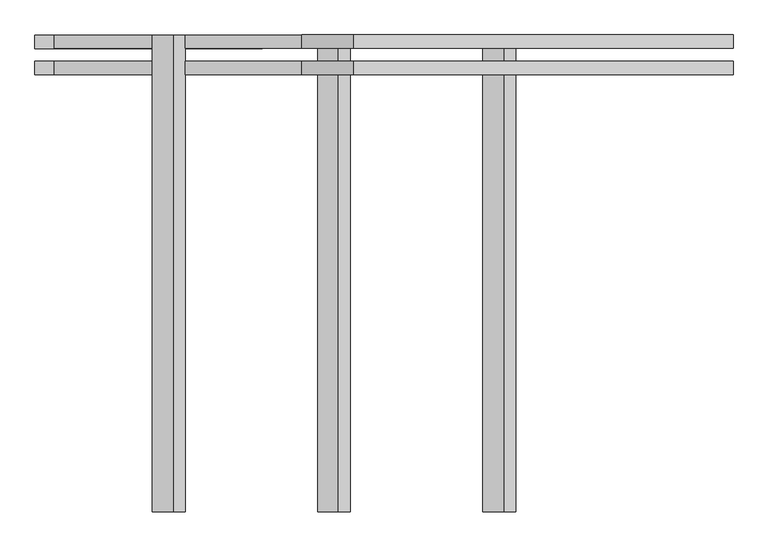
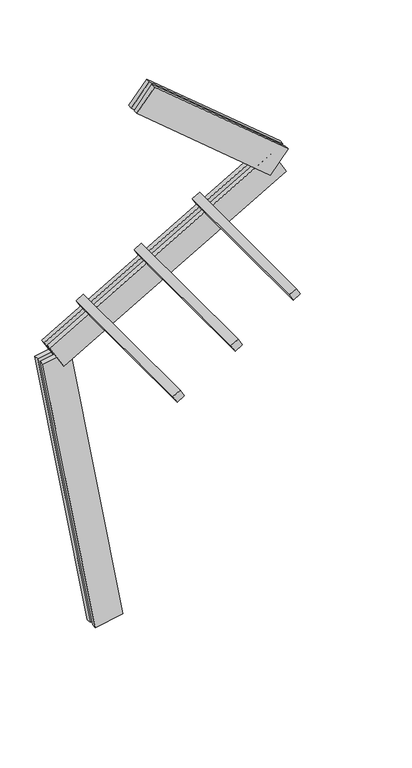
"""IFC4 building model written with IfcOpenShell, lengths in millimetres: proxy geometry."""

from ifc_helpers import new_model, si_unit, frame, origin, place, context, project, spatial, polyline, outline, extrude, source, transform, mapped, element, save


def generic_models_ab3bf757(model_context):
    return source(origin(), model_context, "Body", "SweptSolid", [
        extrude(outline(polyline([(1500.0, 0.0), (1500.0, -75.0), (0.0, -75.0), (0.0, 0.0), (1500.0, 0.0)])), frame((-119.9880129, 62.5, 3004.7341086), z_axis=(-0.4999999999999995, 0.0, 0.866025403784439), x_axis=(0.0, -1.0, 0.0)), (0.0, 0.0, 1.0), 75.0),
        extrude(outline(polyline([(1500.0, 0.0), (1500.0, -75.0), (0.0, -75.0), (0.0, 0.0), (1500.0, 0.0)])), frame((399.6272294, 62.5, 3304.7341086), z_axis=(-0.4999999999999995, 0.0, 0.866025403784439), x_axis=(0.0, -1.0, 0.0)), (0.0, 0.0, 1.0), 75.0),
        extrude(outline(polyline([(1500.0, 0.0), (1500.0, -74.9999999), (0.0, -74.9999999), (0.0, 0.0), (1500.0, 0.0)])), frame((919.2424716, 62.5, 3604.7341086), z_axis=(-0.4999999999999995, 0.0, 0.866025403784439), x_axis=(0.0, -1.0, 0.0)), (0.0, 0.0, 1.0), 75.0),
        extrude(outline(polyline([(1560.0000001, -125.0), (0.0, -125.0), (0.0, -82.5), (1560.0000001, -82.5), (1560.0000001, -125.0)])), frame((1442.6598978, -62.5, 3713.2253777), z_axis=(0.6427876096865414, 0.0, 0.7660444431189765), x_axis=(-0.7660444431189765, 0.0, 0.6427876096865414)), (0.0, 0.0, 1.0), 250.0),
        extrude(outline(polyline([(0.0, 0.0), (1560.0000001, 0.0), (1560.0000001, -42.5), (0.0, -42.5), (0.0, 0.0)])), frame((1442.6598978, -62.5, 3713.2253777), z_axis=(0.6427876096865414, 0.0, 0.7660444431189765), x_axis=(-0.7660444431189765, 0.0, 0.6427876096865414)), (0.0, 0.0, 1.0), 250.0),
        extrude(outline(polyline([(2300.0, -125.0), (0.0, -125.0), (0.0, -82.5), (2300.0, -82.5), (2300.0, -125.0)])), frame((1585.508349, -62.5, 3700.7277577), z_axis=(-0.4999999999999995, 0.0, 0.866025403784439), x_axis=(-0.866025403784439, 0.0, -0.4999999999999995)), (0.0, 0.0, 1.0), 250.0),
        extrude(outline(polyline([(0.0, 0.0), (2300.0, 0.0), (2300.0, -42.5), (0.0, -42.5), (0.0, 0.0)])), frame((1585.508349, -62.5, 3700.7277577), z_axis=(-0.4999999999999995, 0.0, 0.866025403784439), x_axis=(-0.866025403784439, 0.0, -0.4999999999999995)), (0.0, 0.0, 1.0), 250.0),
        extrude(outline(polyline([(-125.0, -249.9999999), (-125.0, 0.0), (-82.5, 0.0), (-82.5, -249.9999999), (-125.0, -249.9999999)])), frame((123.1009691, -62.5, 21.7060222), z_axis=(-0.17364817766693158, 0.0, 0.9848077530122079), x_axis=(0.0, -1.0, 0.0)), (0.0, 0.0, 1.0), 2700.0),
        extrude(outline(polyline([(0.0, 0.0), (0.0, -249.9999999), (-42.5, -249.9999999), (-42.5, 0.0), (0.0, 0.0)])), frame((123.1009691, -62.5, 21.7060222), z_axis=(-0.17364817766693158, 0.0, 0.9848077530122079), x_axis=(0.0, -1.0, 0.0)), (0.0, 0.0, 1.0), 2700.0),
    ])


if __name__ == "__main__":
    model = new_model("IFC4")
    model_context = context("Model", 3, world=origin())
    ifc_project = project(units=[si_unit("LENGTHUNIT", "METRE", prefix="MILLI")], contexts=[model_context])
    site = spatial("IfcSite", under=ifc_project)
    building = spatial("IfcBuilding", under=site)
    placement = place(None, origin())
    generic_models_shape = generic_models_ab3bf757(model_context)
    element("IfcBuildingElementProxy", 1, Name="Generic Models", at=placement, inside=building, context=model_context, shape_type="MappedRepresentation", body=[
        mapped(generic_models_shape, transform((0.0, 0.0, 0.0), x_axis=(1.0, 0.0, 0.0), y_axis=(0.0, 1.0, 0.0), z_axis=(0.0, 0.0, 1.0))),
    ])
    save(model, "model.ifc")
